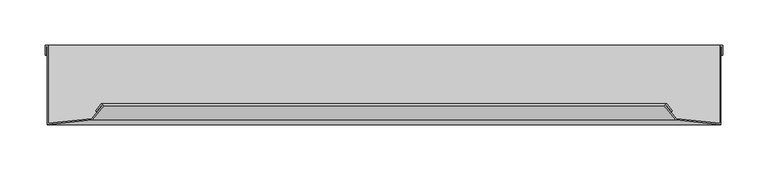
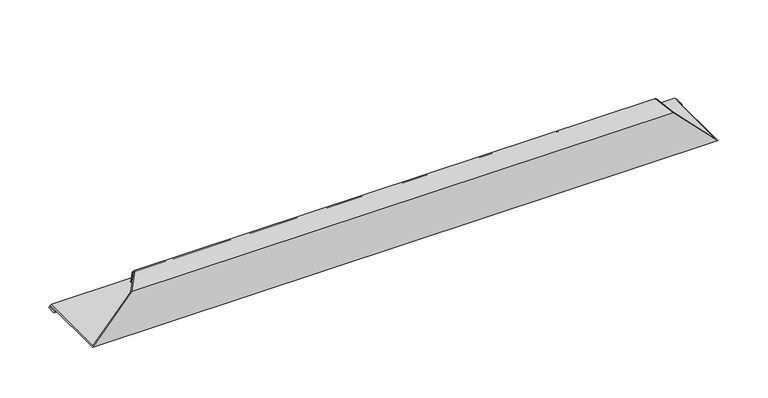
"""IFC4 building model written with IfcOpenShell, lengths in millimetres: proxy geometry."""

from ifc_helpers import new_model, si_unit, origin, place, context, project, spatial, faceted_brep, source, transform, mapped, element, save


def generic_models_c61fd0af(model_context):
    return source(origin(), model_context, "Body", "Brep", [
        faceted_brep([(2.0, 89.0, 2.0), (3.0, 89.0, 3.0), (3.0, 2.5365377, 3.0), (52.7260948, 7.7629609, 52.7260948), (65.381832, 23.3914949, 65.381832), (63.0503942, 25.279456, 63.0503942), (56.7571902, 17.5079964, 56.7571902), (57.5343362, 16.878676, 57.5343362), (63.1982197, 23.8729897, 63.1982197), (63.9753657, 23.2436693, 63.9753657), (52.2096218, 8.7141857, 52.2096218), (4.0, 3.6471503, 4.0), (4.0, 90.0, 4.0), (1.0, 90.0, 1.0), (1.0, 79.0, 1.0), (2.0, 79.0, 2.0), (748.0, 79.0, 2.0), (749.0, 79.0, 1.0), (749.0, 90.0, 1.0), (746.0, 90.0, 4.0), (746.0, 3.6471503, 4.0), (697.7903782, 8.7141857, 52.2096218), (686.0246343, 23.2436693, 63.9753657), (686.8017803, 23.8729897, 63.1982197), (692.4656638, 16.878676, 57.5343362), (693.2428098, 17.5079964, 56.7571902), (686.9496058, 25.279456, 63.0503942), (684.618168, 23.3914949, 65.381832), (697.2739052, 7.7629609, 52.7260948), (747.0, 2.5365377, 3.0), (747.0, 89.0, 3.0), (748.0, 89.0, 2.0)], [[[0, 1, 2, 3, 4, 5, 6, 7, 8, 9, 10, 11, 12, 13, 14, 15]], [[16, 17, 18, 19, 20, 21, 22, 23, 24, 25, 26, 27, 28, 29, 30, 31]], [[15, 16, 31, 0]], [[14, 17, 16, 15]], [[13, 18, 17, 14]], [[12, 19, 18, 13]], [[11, 20, 19, 12]], [[10, 21, 20, 11]], [[9, 22, 21, 10]], [[8, 23, 22, 9]], [[7, 24, 23, 8]], [[6, 25, 24, 7]], [[5, 26, 25, 6]], [[4, 27, 26, 5]], [[3, 28, 27, 4]], [[2, 29, 28, 3]], [[1, 30, 29, 2]], [[0, 31, 30, 1]]]),
    ])


if __name__ == "__main__":
    model = new_model("IFC4")
    model_context = context("Model", 3, world=origin())
    ifc_project = project(units=[si_unit("LENGTHUNIT", "METRE", prefix="MILLI")], contexts=[model_context])
    site = spatial("IfcSite", under=ifc_project)
    building = spatial("IfcBuilding", under=site)
    placement = place(None, origin())
    generic_models_shape = generic_models_c61fd0af(model_context)
    element("IfcBuildingElementProxy", 1, Name="Generic Models", at=placement, inside=building, context=model_context, shape_type="MappedRepresentation", body=[
        mapped(generic_models_shape, transform((0.0, 0.0, 0.0), x_axis=(1.0, 0.0, 0.0), y_axis=(0.0, 1.0, 0.0), z_axis=(0.0, 0.0, 1.0))),
    ])
    save(model, "model.ifc")
